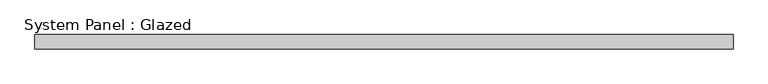
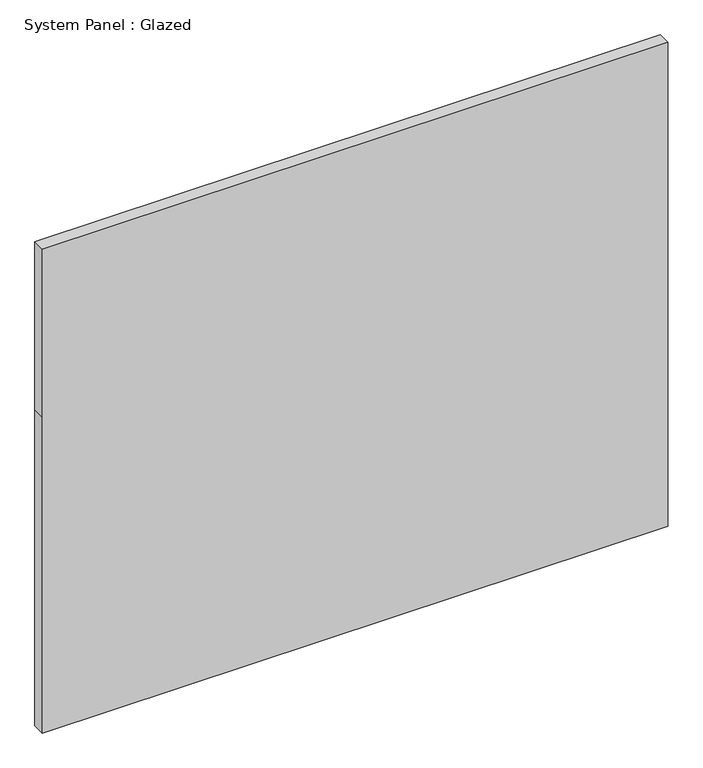
"""IFC4 building model written with IfcOpenShell, lengths in millimetres: plate geometry, System Panel : Glazed."""

import ifcopenshell
import ifcopenshell.guid

model = None  # the IFC model being written
_history = None  # IfcOwnerHistory: only IFC2X3 demands one
_inside = {}  # id of a spatial element -> (the spatial element, [elements in it])
_under = {}  # id of a project, library or spatial element -> (it, [spatial elements below it])
_declared = {}  # id of a project -> (the project, [libraries it declares])
_typed = {}  # id of a type object -> (the type object, [elements of that type])
_made_of = {}  # id of a material, layer set ... -> (it, [elements and type objects made of it])


def new_model(schema):
    """Start an empty IFC model of exactly this schema.

    Asked for "IFC4X3", IfcOpenShell would pick the latest addendum, in which some entities
    have other attributes; the version numbers below select the first issue.
    IFC2X3 requires an IfcOwnerHistory on every rooted entity: one is made here for all.
    """
    global model, _history
    if schema == "IFC4X3":
        model = ifcopenshell.file(schema_version=(4, 3, 0, 0))
    else:
        model = ifcopenshell.file(schema=schema)
    _inside.clear()
    _under.clear()
    _declared.clear()
    _typed.clear()
    _made_of.clear()
    _history = None
    if model.schema == "IFC2X3":
        org = make("IfcOrganization", Name="unknown")
        user = make(
            "IfcPersonAndOrganization",
            ThePerson=make("IfcPerson", FamilyName="unknown"),
            TheOrganization=org,
        )
        app = make(
            "IfcApplication",
            ApplicationDeveloper=org,
            Version="unknown",
            ApplicationFullName="unknown",
            ApplicationIdentifier="unknown",
        )
        _history = make(
            "IfcOwnerHistory",
            OwningUser=user,
            OwningApplication=app,
            ChangeAction="ADDED",
            CreationDate=0,
        )
    return model


def make(cls, **values):
    """One entity of the class cls with the attributes given. An attribute that is None is left unset."""
    return model.create_entity(
        cls, **{name: value for name, value in values.items() if value is not None}
    )


def rooted(cls, **values):
    """An entity with a GlobalId (a new one), such as an element, a storey or a relation."""
    return make(cls, GlobalId=ifcopenshell.guid.new(), OwnerHistory=_history, **values)


def si_unit(unit_type, name, prefix=None):
    """IfcSIUnit, for example si_unit("LENGTHUNIT", "METRE", prefix="MILLI")."""
    return make("IfcSIUnit", UnitType=unit_type, Prefix=prefix, Name=name)


def assignment(units):
    """IfcUnitAssignment: the units of a project."""
    return None if units is None else make("IfcUnitAssignment", Units=units)


def point(xyz):
    """IfcCartesianPoint."""
    return None if xyz is None else make("IfcCartesianPoint", Coordinates=xyz)


def direction(xyz):
    """IfcDirection."""
    return None if xyz is None else make("IfcDirection", DirectionRatios=xyz)


def frame(location, z_axis=None, x_axis=None):
    """IfcAxis2Placement3D, a coordinate frame: its origin and axes. An axis left out is left unset."""
    return make(
        "IfcAxis2Placement3D",
        Location=point(location),
        Axis=direction(z_axis),
        RefDirection=direction(x_axis),
    )


def origin():
    """The frame at (0, 0, 0) with its axes left unset."""
    return frame((0.0, 0.0, 0.0))


def place(relative_to, where):
    """IfcLocalPlacement: puts the frame where relative to a parent placement (None: the world)."""
    return make(
        "IfcLocalPlacement", PlacementRelTo=relative_to, RelativePlacement=where
    )


def context(
    kind, dimensions, precision=None, world=None, true_north=None, identifier=None
):
    """IfcGeometricRepresentationContext, for example the 3D "Model" context."""
    return make(
        "IfcGeometricRepresentationContext",
        ContextIdentifier=identifier,
        ContextType=kind,
        CoordinateSpaceDimension=dimensions,
        Precision=precision,
        WorldCoordinateSystem=world,
        TrueNorth=true_north,
    )


def project(units=None, contexts=None):
    """IfcProject with its units and contexts."""
    return rooted(
        "IfcProject",
        Name="project",
        RepresentationContexts=contexts,
        UnitsInContext=assignment(units),
    )


def spatial(cls, under=None, at=None, **own):
    """A site, building, storey or space (cls), placed at a placement, below another one or the project."""
    s = rooted(cls, ObjectPlacement=at, **own)
    if under is not None:
        _under.setdefault(under.id(), (under, []))[1].append(s)
    return s


def polyline(points):
    """IfcPolyline through the points."""
    return make("IfcPolyline", Points=[point(p) for p in points])


def outline(outer, holes=None, kind="AREA"):
    """IfcArbitraryClosedProfileDef: a profile drawn as a closed curve; with holes, ...WithVoids."""
    if holes is None:
        return make("IfcArbitraryClosedProfileDef", ProfileType=kind, OuterCurve=outer)
    return make(
        "IfcArbitraryProfileDefWithVoids",
        ProfileType=kind,
        OuterCurve=outer,
        InnerCurves=holes,
    )


def extrude(swept, where, along, depth):
    """IfcExtrudedAreaSolid: the profile swept, set in the frame where, extruded along a direction by depth."""
    return make(
        "IfcExtrudedAreaSolid",
        SweptArea=swept,
        Position=where,
        ExtrudedDirection=direction(along),
        Depth=depth,
    )


def shape(context_of_items, identifier, shape_type, items):
    """IfcShapeRepresentation: the items that make up one representation, for example the "Body"."""
    return make(
        "IfcShapeRepresentation",
        ContextOfItems=context_of_items,
        RepresentationIdentifier=identifier,
        RepresentationType=shape_type,
        Items=items,
    )


def source(mapping_origin, context_of_items, identifier, shape_type, items):
    """IfcRepresentationMap: a shape defined once, which mapped items show again and again."""
    return make(
        "IfcRepresentationMap",
        MappingOrigin=mapping_origin,
        MappedRepresentation=shape(context_of_items, identifier, shape_type, items),
    )


def transform(
    local_origin,
    x_axis=None,
    y_axis=None,
    z_axis=None,
    scale=None,
    scale2=None,
    scale3=None,
    uniform=True,
):
    """IfcCartesianTransformationOperator3D, or its non-uniform kind. x_axis, y_axis, z_axis: its Axis1, 2, 3."""
    if uniform:
        return make(
            "IfcCartesianTransformationOperator3D",
            Axis1=direction(x_axis),
            Axis2=direction(y_axis),
            LocalOrigin=point(local_origin),
            Scale=scale,
            Axis3=direction(z_axis),
        )
    return make(
        "IfcCartesianTransformationOperator3DnonUniform",
        Axis1=direction(x_axis),
        Axis2=direction(y_axis),
        LocalOrigin=point(local_origin),
        Scale=scale,
        Axis3=direction(z_axis),
        Scale2=scale2,
        Scale3=scale3,
    )


def mapped(mapping_source, mapping_target):
    """IfcMappedItem: shows the shape of a source again, moved by a transform."""
    return make(
        "IfcMappedItem", MappingSource=mapping_source, MappingTarget=mapping_target
    )


def made_of(thing, what):
    """Note that an element or type object is made of a material, layer set ...; save() writes the relation."""
    if what is not None:
        _made_of.setdefault(what.id(), (what, []))[1].append(thing)
    return thing


def element(
    cls,
    number,
    at=None,
    inside=None,
    cuts=None,
    type_object=None,
    material=None,
    context=None,
    identifier="Body",
    shape_type=None,
    held_by="IfcProductDefinitionShape",
    body=None,
    shapes=None,
    **own,
):
    """One element of the class cls, such as IfcWall. Its Tag is "e" and its number.

    at: its placement. inside: the storey or other place that contains it. cuts: it is an
    opening in that element (IfcRelVoidsElement). A single representation is given by context,
    identifier, shape_type and body (its items); several are given by shapes. held_by: the class
    of the entity that holds the representations. save() writes the other relations.
    """
    e = rooted(cls, Tag="e%d" % number, ObjectPlacement=at, **own)
    if body is not None:
        shapes = [shape(context, identifier, shape_type, body)]
    if shapes is not None:
        e.Representation = make(held_by, Representations=shapes)
    if inside is not None:
        _inside.setdefault(inside.id(), (inside, []))[1].append(e)
    if cuts is not None:
        rooted(
            "IfcRelVoidsElement", RelatingBuildingElement=cuts, RelatedOpeningElement=e
        )
    if type_object is not None:
        _typed.setdefault(type_object.id(), (type_object, []))[1].append(e)
    return made_of(e, material)


def aggregate(whole, parts):
    """IfcRelAggregates: a whole, such as a stair, and the parts it consists of."""
    return rooted("IfcRelAggregates", RelatingObject=whole, RelatedObjects=parts)


def save(model, path):
    """Write the relations noted so far, then the file.

    IfcRelAggregates (storeys below a building ...), IfcRelContainedInSpatialStructure (elements
    in a storey), IfcRelDefinesByType, IfcRelAssociatesMaterial and IfcRelDeclares: one each for
    every whole, place, type object, material and project.
    """
    for whole, parts in _under.values():
        aggregate(whole, parts)
    for where, things in _inside.values():
        rooted(
            "IfcRelContainedInSpatialStructure",
            RelatedElements=things,
            RelatingStructure=where,
        )
    for kind, things in _typed.values():
        rooted("IfcRelDefinesByType", RelatedObjects=things, RelatingType=kind)
    for what, things in _made_of.values():
        rooted("IfcRelAssociatesMaterial", RelatedObjects=things, RelatingMaterial=what)
    for by, libraries in _declared.values():
        rooted("IfcRelDeclares", RelatingContext=by, RelatedDefinitions=libraries)
    model.write(path)


def system_panel_glazed_d94930f4(model_context):
    return source(origin(), model_context, "Body", "SweptSolid", [
        extrude(outline(polyline([(0.0, -599.1), (0.0, 599.1), (640.0, 599.1), (980.0, 599.1), (980.0, -599.1), (640.0, -599.1), (0.0, -599.1)])), frame((0.0, -37.5, 0.0), z_axis=(0.0, 1.0, 0.0), x_axis=(0.0, 0.0, 1.0)), (0.0, 0.0, 1.0), 25.0),
    ])


if __name__ == "__main__":
    model = new_model("IFC4")
    model_context = context("Model", 3, world=origin())
    ifc_project = project(units=[si_unit("LENGTHUNIT", "METRE", prefix="MILLI")], contexts=[model_context])
    site = spatial("IfcSite", under=ifc_project)
    building = spatial("IfcBuilding", under=site)
    placement = place(None, origin())
    system_panel_glazed_shape = system_panel_glazed_d94930f4(model_context)
    element("IfcPlate", 1, ObjectType="System Panel : Glazed", at=placement, inside=building, context=model_context, shape_type="MappedRepresentation", body=[
        mapped(system_panel_glazed_shape, transform((0.0, 0.0, 0.0), x_axis=(1.0, 0.0, 0.0), y_axis=(0.0, 1.0, 0.0), z_axis=(0.0, 0.0, 1.0))),
    ])
    save(model, "model.ifc")
